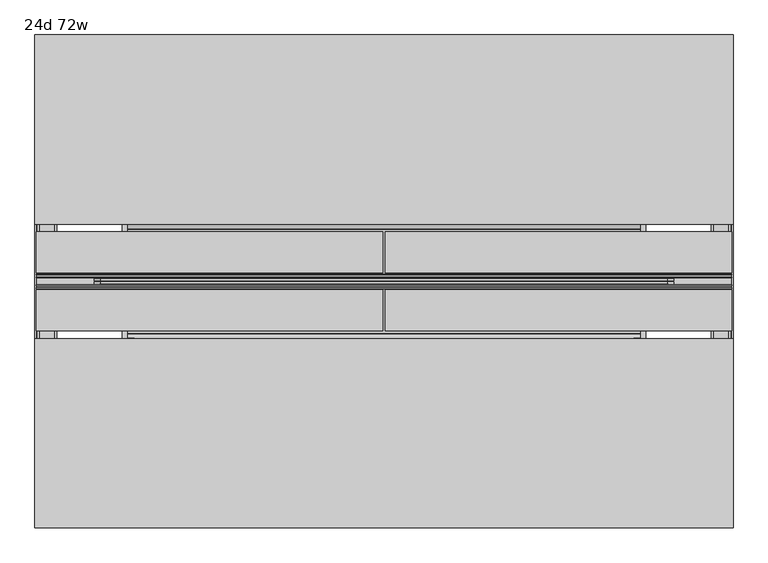
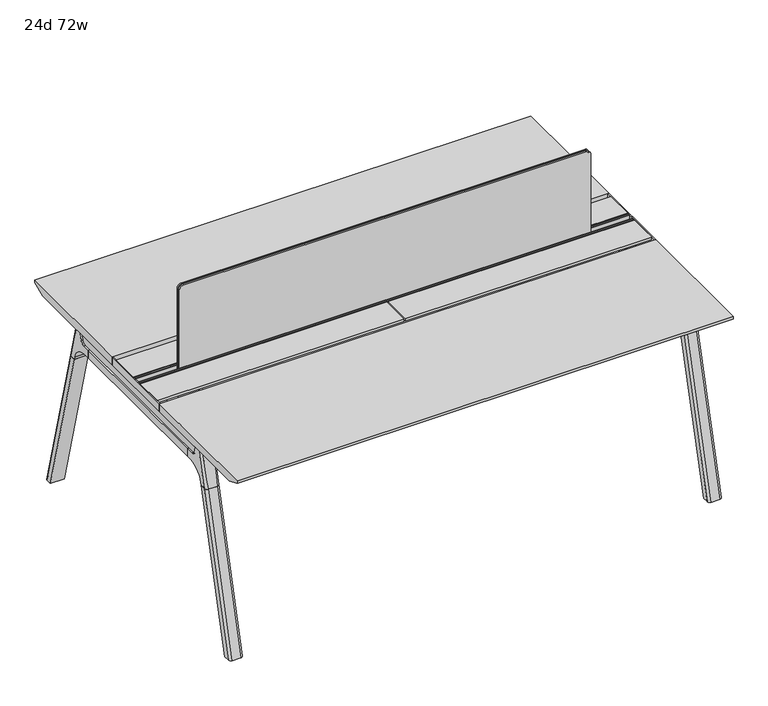
"""IFC4 building model written with IfcOpenShell, lengths in millimetres: furniture geometry, 24d 72w."""

from ifc_helpers import new_model, si_unit, point, frame, frame_2d, origin, place, context, project, spatial, polyline, circle_curve, ellipse_curve, trimmed, segment, composite_curve, outline, extrude, source, transform, mapped, element, save
from ifc_brep_helpers import plane_surface, cylinder_surface, revolved_surface, advanced_brep


def furniture_24d_72w_64f75645(model_context):
    return source(origin(), model_context, "Body", "SolidModel", [
        extrude(outline(composite_curve([segment(polyline([(1054.89375, 955.675), (1054.89375, -523.875)]), True, "CONTINUOUS"), segment(trimmed(circle_curve(frame_2d((1039.01875, -523.875)), 15.875), [point((1054.89375, -523.875))], [point((1039.01875, -539.75))], False, "CARTESIAN"), True, "CONTINUOUS"), segment(polyline([(1039.01875, -539.75), (720.725, -539.75), (720.725, 971.55), (1039.01875, 971.55)]), True, "CONTINUOUS"), segment(trimmed(circle_curve(frame_2d((1039.01875, 955.675)), 15.875), [point((1039.01875, 971.55))], [point((1054.89375, 955.675))], False, "CARTESIAN"), True, "CONTINUOUS")], self_intersect=False)), frame((0.0, -201.3409766, 0.0), z_axis=(0.0, 1.0, 0.0), x_axis=(0.0, 0.0, 1.0)), (0.0, 0.0, 1.0), 3.175),
        extrude(outline(composite_curve([segment(polyline([(1058.06875, 958.85), (1058.06875, -527.05)]), True, "CONTINUOUS"), segment(trimmed(circle_curve(frame_2d((1042.19375, -527.05)), 15.875), [point((1058.06875, -527.05))], [point((1042.19375, -542.925))], False, "CARTESIAN"), True, "CONTINUOUS"), segment(polyline([(1042.19375, -542.925), (717.55, -542.925), (717.55, 974.725), (1042.19375, 974.725)]), True, "CONTINUOUS"), segment(trimmed(circle_curve(frame_2d((1042.19375, 958.85)), 15.875), [point((1042.19375, 974.725))], [point((1058.06875, 958.85))], False, "CARTESIAN"), True, "CONTINUOUS")], self_intersect=False)), frame((0.0, -198.1659766, 0.0), z_axis=(0.0, 1.0, 0.0), x_axis=(0.0, 0.0, 1.0)), (0.0, 0.0, 1.0), 5.55625),
        extrude(outline(composite_curve([segment(polyline([(1058.06875, 958.85), (1058.06875, -527.05)]), True, "CONTINUOUS"), segment(trimmed(circle_curve(frame_2d((1042.19375, -527.05)), 15.875), [point((1058.06875, -527.05))], [point((1042.19375, -542.925))], False, "CARTESIAN"), True, "CONTINUOUS"), segment(polyline([(1042.19375, -542.925), (717.55, -542.925), (717.55, 974.725), (1042.19375, 974.725)]), True, "CONTINUOUS"), segment(trimmed(circle_curve(frame_2d((1042.19375, 958.85)), 15.875), [point((1042.19375, 974.725))], [point((1058.06875, 958.85))], False, "CARTESIAN"), True, "CONTINUOUS")], self_intersect=False)), frame((0.0, -206.8972266, 0.0), z_axis=(0.0, 1.0, 0.0), x_axis=(0.0, 0.0, 1.0)), (0.0, 0.0, 1.0), 5.55625),
        extrude(outline(polyline([(-348.9784469, 559.4636683), (-364.040663, 627.7843353), (-35.4662901, 627.7843353), (-50.5285062, 559.4636683), (-46.7502281, 557.2647146), (-46.7502281, 549.3667827), (-62.6252238, 521.8704736), (-336.8817293, 521.8704736), (-352.756725, 549.3667827), (-352.756725, 557.2647146), (-348.9784469, 559.4636683)])), frame((889.0, 0.0, 0.0), z_axis=(1.0, 0.0, 0.0), x_axis=(0.0, 1.0, 0.0)), (0.0, 0.0, 1.0), 12.7),
        extrude(outline(polyline([(-348.9784469, 559.4636683), (-364.040663, 627.7843353), (-35.4662901, 627.7843353), (-50.5285062, 559.4636683), (-46.7502281, 557.2647146), (-46.7502281, 549.3667827), (-62.6252238, 521.8704736), (-336.8817293, 521.8704736), (-352.756725, 549.3667827), (-352.756725, 557.2647146), (-348.9784469, 559.4636683)])), frame((-469.9, 0.0, 0.0), z_axis=(1.0, 0.0, 0.0), x_axis=(0.0, 1.0, 0.0)), (0.0, 0.0, 1.0), 12.7),
        extrude(outline(polyline([(-18.0090763, 698.5), (3.7767266, 698.5), (3.7767266, 697.2935087), (-17.4495292, 697.2935087), (-19.0070753, 695.7359626), (-49.1186716, 559.1528512), (-50.5285062, 559.4636683), (-20.404074, 696.1050023), (-18.0090763, 698.5)])), frame((-469.9, 0.0, 0.0), z_axis=(1.0, 0.0, 0.0), x_axis=(0.0, 1.0, 0.0)), (0.0, 0.0, 1.0), 31.8008024),
        extrude(outline(polyline([(-381.4978768, 698.5), (-379.1028791, 696.1050023), (-348.9784469, 559.4636683), (-350.3882815, 559.1528512), (-380.4998778, 695.7359626), (-382.0574239, 697.2935087), (-403.2836797, 697.2935087), (-403.2836797, 698.5), (-381.4978768, 698.5)])), frame((-469.9, 0.0, 0.0), z_axis=(1.0, 0.0, 0.0), x_axis=(0.0, 1.0, 0.0)), (0.0, 0.0, 1.0), 31.8008024),
        extrude(outline(polyline([(-18.0090763, 698.5), (3.7767266, 698.5), (3.7767266, 697.2935087), (-17.4495292, 697.2935087), (-19.0070753, 695.7359626), (-49.1186716, 559.1528512), (-50.5285062, 559.4636683), (-20.404074, 696.1050023), (-18.0090763, 698.5)])), frame((869.8991976, 0.0, 0.0), z_axis=(1.0, 0.0, 0.0), x_axis=(0.0, 1.0, 0.0)), (0.0, 0.0, 1.0), 31.8008024),
        extrude(outline(polyline([(-381.4978768, 698.5), (-379.1028791, 696.1050023), (-348.9784469, 559.4636683), (-350.3882815, 559.1528512), (-380.4998778, 695.7359626), (-382.0574239, 697.2935087), (-403.2836797, 697.2935087), (-403.2836797, 698.5), (-381.4978768, 698.5)])), frame((869.8991976, 0.0, 0.0), z_axis=(1.0, 0.0, 0.0), x_axis=(0.0, 1.0, 0.0)), (0.0, 0.0, 1.0), 31.8008024),
        extrude(outline(polyline([(-353.550475, 557.5934966), (-351.518477, 559.6254947), (-350.957211, 559.0642287), (-352.756725, 557.2647146), (-352.756725, 549.3667827), (-352.5317745, 548.5272622), (-337.4390802, 522.3859395), (-336.0037101, 521.5572272), (-63.503243, 521.5572272), (-62.0678729, 522.3859395), (-46.9751786, 548.5272622), (-46.7502281, 549.3667827), (-46.7502281, 557.2647146), (-48.5497421, 559.0642287), (-47.9884761, 559.6254947), (-45.9564781, 557.5934966), (-45.9564781, 549.2622828), (-46.2355217, 548.2208856), (-61.4868074, 521.8048744), (-63.2905581, 520.7634772), (-336.216395, 520.7634772), (-338.0201457, 521.8048744), (-353.2714314, 548.2208856), (-353.550475, 549.2622828), (-353.550475, 557.5934966)])), frame((-469.8492037, 0.0, 0.0), z_axis=(1.0, 0.0, 0.0), x_axis=(0.0, 1.0, 0.0)), (0.0, 0.0, 1.0), 1371.5492037),
        extrude(outline(polyline([(-218.8034766, 715.9625), (-218.8034766, 741.3625), (-217.2159766, 741.3625), (-217.2159766, 720.725), (-210.8659766, 720.725), (-210.8659766, 741.3625), (-209.2784766, 741.3625), (-209.2784766, 717.55), (-190.2284766, 717.55), (-190.2284766, 741.3625), (-188.6409766, 741.3625), (-188.6409766, 720.725), (-182.2909766, 720.725), (-182.2909766, 741.3625), (-180.7034766, 741.3625), (-180.7034766, 715.9625), (-218.8034766, 715.9625)])), frame((-695.325, 0.0, 0.0), z_axis=(1.0, 0.0, 0.0), x_axis=(0.0, 1.0, 0.0)), (0.0, 0.0, 1.0), 1822.45),
        extrude(outline(composite_curve([segment(polyline([(175.6902734, 711.2), (166.6321726, 677.3947076)]), True, "CONTINUOUS"), segment(trimmed(circle_curve(frame_2d((151.2981001, 681.5034599)), 15.875), [point((166.6321726, 677.3947076))], [point((151.2981001, 665.6284599))], False, "CARTESIAN"), True, "CONTINUOUS"), segment(polyline([(151.2981001, 665.6284599), (-550.8050533, 665.6284599)]), True, "CONTINUOUS"), segment(trimmed(circle_curve(frame_2d((-550.8050533, 681.5034599)), 15.875), [point((-550.8050533, 665.6284599))], [point((-566.1391258, 677.3947076))], False, "CARTESIAN"), True, "CONTINUOUS"), segment(polyline([(-566.1391258, 677.3947076), (-575.1972266, 711.2), (175.6902734, 711.2)]), True, "CONTINUOUS")], self_intersect=False)), frame((1079.5, 0.0, 0.0), z_axis=(1.0, 0.0, 0.0), x_axis=(0.0, 1.0, 0.0)), (0.0, 0.0, 1.0), 38.1),
        extrude(outline(polyline([(1123.95, 115.3652734), (1123.95, -514.8722266), (1073.15, -514.8722266), (1073.15, 115.3652734), (1123.95, 115.3652734)])), frame((0.0, 0.0, 635.6476591), z_axis=(0.0, 0.0, 1.0), x_axis=(1.0, 0.0, 0.0)), (0.0, 0.0, 1.0), 29.9808008),
        extrude(outline(composite_curve([segment(polyline([(175.6902734, 711.2), (166.6321726, 677.3947076)]), True, "CONTINUOUS"), segment(trimmed(circle_curve(frame_2d((151.2981001, 681.5034599)), 15.875), [point((166.6321726, 677.3947076))], [point((151.2981001, 665.6284599))], False, "CARTESIAN"), True, "CONTINUOUS"), segment(polyline([(151.2981001, 665.6284599), (-550.8050533, 665.6284599)]), True, "CONTINUOUS"), segment(trimmed(circle_curve(frame_2d((-550.8050533, 681.5034599)), 15.875), [point((-550.8050533, 665.6284599))], [point((-566.1391258, 677.3947076))], False, "CARTESIAN"), True, "CONTINUOUS"), segment(polyline([(-566.1391258, 677.3947076), (-575.1972266, 711.2), (175.6902734, 711.2)]), True, "CONTINUOUS")], self_intersect=False)), frame((-685.8, 0.0, 0.0), z_axis=(1.0, 0.0, 0.0), x_axis=(0.0, 1.0, 0.0)), (0.0, 0.0, 1.0), 38.1),
        extrude(outline(polyline([(-641.35, 115.3652734), (-641.35, -514.8722266), (-692.15, -514.8722266), (-692.15, 115.3652734), (-641.35, 115.3652734)])), frame((0.0, 0.0, 635.6476591), z_axis=(0.0, 0.0, 1.0), x_axis=(1.0, 0.0, 0.0)), (0.0, 0.0, 1.0), 29.9808008),
        advanced_brep(
        [(1073.15, -568.8935553, 711.2), (1073.15, -559.8354545, 677.3947076), (1073.15, -544.501382, 665.6284599), (1073.15, -514.8722266, 665.6284599), (1073.15, -514.8722266, 635.6476591), (1073.15, -537.7434588, 635.6476591), (1073.15, -602.1465633, 586.2294189), (1073.15, -604.7047754, 576.6820411), (1073.15, -625.8087453, 576.6820411), (1073.15, -590.3601017, 711.2), (1123.95, -604.7047754, 576.6820411), (1123.95, -602.1465633, 586.2294189), (1123.95, -537.7434588, 635.6476591), (1123.95, -514.8722266, 635.6476591), (1123.95, -514.8722266, 665.6284599), (1123.95, -544.501382, 665.6284599), (1123.95, -559.8354545, 677.3947076), (1123.95, -568.8935553, 711.2), (1123.95, -590.3601017, 711.2), (1123.95, -625.8087453, 576.6820411), (1079.4138162, -599.6149462, 711.2), (1117.6861838, -599.6149462, 711.2), (1114.425, -635.6589247, 576.6820411), (1082.675, -635.6589247, 576.6820411)],
        [
            (0, 1),
            (1, 2, circle_curve(frame((1073.15, -544.501382, 681.5034599), z_axis=(1.0, 0.0, 0.0), x_axis=(0.0, -1.0, 0.0)), 15.875)),
            (2, 3),
            (3, 4),
            (4, 5),
            (5, 6, circle_curve(frame((1073.15, -537.7434588, 568.9726591), z_axis=(1.0, 0.0, 0.0), x_axis=(0.0, -1.0, 0.0)), 66.675)),
            (6, 7),
            (7, 8),
            (8, 9),
            (9, 0),
            (10, 11),
            (11, 12, circle_curve(frame((1123.95, -537.7434588, 568.9726591), z_axis=(-1.0, 0.0, 0.0), x_axis=(0.0, -1.0, 0.0)), 66.675)),
            (12, 13),
            (13, 14),
            (14, 15),
            (15, 16, circle_curve(frame((1123.95, -544.501382, 681.5034599), z_axis=(-1.0, 0.0, 0.0), x_axis=(0.0, -1.0, 0.0)), 15.875)),
            (16, 17),
            (17, 18),
            (18, 19),
            (19, 10),
            (17, 0),
            (9, 20, ellipse_curve(frame((1082.675, -590.3601017, 711.2), z_axis=(0.0, 0.0, 1.0), x_axis=(0.0, -1.0, 0.0)), 9.8501793, 9.525)),
            (20, 21),
            (21, 18, ellipse_curve(frame((1114.425, -590.3601017, 711.2), z_axis=(0.0, 0.0, 1.0), x_axis=(0.0, -1.0, 0.0)), 9.8501793, 9.525)),
            (16, 1),
            (15, 2),
            (14, 3),
            (13, 4),
            (12, 5),
            (11, 6),
            (10, 7),
            (19, 22, ellipse_curve(frame((1114.425, -625.8087453, 576.6820411), z_axis=(0.0, 0.0, -1.0), x_axis=(0.0, -1.0, 0.0)), 9.8501793, 9.525)),
            (22, 23),
            (23, 8, ellipse_curve(frame((1082.675, -625.8087453, 576.6820411), z_axis=(0.0, 0.0, -1.0), x_axis=(0.0, -1.0, 0.0)), 9.8501793, 9.525)),
            (20, 23, ellipse_curve(frame((1082.675, -39.2892106, 2802.3641142), z_axis=(0.0, -0.9659258262890684, 0.2588190451025206), x_axis=(0.0, -0.2588190451025206, -0.9659258262890684)), 2304.1956354, 9.525)),
            (22, 21, ellipse_curve(frame((1114.425, -39.2892106, 2802.3641142), z_axis=(0.0, -0.9659258262890684, 0.2588190451025206), x_axis=(0.0, -0.2588190451025206, -0.9659258262890684)), 2304.1956354, 9.525)),
        ],
        [
            plane_surface(frame((1073.15, -599.6149462, 711.2), z_axis=(-1.0, 0.0, 0.0), x_axis=(0.0, 1.0, 0.0))),
            plane_surface(frame((1123.95, -599.6149462, 711.2), z_axis=(1.0, 0.0, 0.0), x_axis=(0.0, -1.0, 0.0))),
            plane_surface(frame((1073.15, -599.6149462, 711.2), z_axis=(0.0, 0.0, 1.0), x_axis=(1.0, 0.0, 0.0))),
            plane_surface(frame((1073.15, -568.8935553, 711.2), z_axis=(0.0, 0.9659258262890683, 0.2588190451025207), x_axis=(1.0, 0.0, 0.0))),
            revolved_surface(polyline([(1123.95, -560.376382, 681.5034599), (1073.15, -560.376382, 681.5034599)]), (1123.95, -544.501382, 681.5034599), (1.0, 0.0, 0.0)),
            plane_surface(frame((1073.15, -544.501382, 665.6284599), z_axis=(0.0, 0.0, 1.0), x_axis=(1.0, 0.0, 0.0))),
            plane_surface(frame((1073.15, -514.8722266, 665.6284599), z_axis=(0.0, 1.0, 0.0), x_axis=(1.0, 0.0, 0.0))),
            plane_surface(frame((1073.15, -514.8722266, 635.6476591), z_axis=(0.0, 0.0, -1.0), x_axis=(1.0, 0.0, 0.0))),
            revolved_surface(polyline([(1123.95, -604.4184587999999, 568.9726591), (1073.15, -604.4184587999999, 568.9726591)]), (1123.95, -537.7434588, 568.9726591), (1.0, 0.0, 0.0)),
            plane_surface(frame((1073.15, -602.1465633, 586.2294189), z_axis=(0.0, 0.9659258262890693, -0.25881904510251696), x_axis=(1.0, 0.0, 0.0))),
            plane_surface(frame((1073.15, -604.7047754, 576.6820411), z_axis=(0.0, 0.0, -1.0), x_axis=(1.0, 0.0, 0.0))),
            plane_surface(frame((1073.15, -635.6589247, 576.6820411), z_axis=(0.0, -0.9659258262890684, 0.2588190451025206), x_axis=(1.0, 0.0, 0.0))),
            cylinder_surface(frame((1082.675, -778.4176402, -2.4271979), z_axis=(0.0, -0.25482392474081483, -0.966987470125486), x_axis=(1.0, 0.0, 0.0)), 9.525),
            cylinder_surface(frame((1114.425, -778.4176402, -2.4271979), z_axis=(0.0, -0.25482392474081483, -0.966987470125486), x_axis=(1.0, 0.0, 0.0)), 9.525),
        ],
        [
            (0, [[1, 2, 3, 4, 5, 6, 7, 8, 9, 10]]),
            (1, [[11, 12, 13, 14, 15, 16, 17, 18, 19, 20]]),
            (2, [[21, -10, 22, 23, 24, -18]]),
            (3, [[-1, -21, -17, 25]]),
            (4, [[-2, -25, -16, 26]]),
            (5, [[-3, -26, -15, 27]]),
            (6, [[-4, -27, -14, 28]]),
            (7, [[-5, -28, -13, 29]]),
            (8, [[-6, -29, -12, 30]]),
            (9, [[-7, -30, -11, 31]]),
            (10, [[-31, -20, 32, 33, 34, -8]]),
            (11, [[-23, 35, -33, 36]]),
            (12, [[-9, -34, -35, -22]]),
            (13, [[-19, -24, -36, -32]]),
        ],
    ),
        advanced_brep(
        [(1073.15, -604.7047754, 576.6820411), (1073.15, -756.6740466, 0.0), (1073.15, -777.7780165, 0.0), (1073.15, -625.8087453, 576.6820411), (1123.95, -756.6740466, 0.0), (1123.95, -604.7047754, 576.6820411), (1123.95, -625.8087453, 576.6820411), (1123.95, -777.7780165, 0.0), (1082.675, -635.6589247, 576.6820411), (1114.425, -635.6589247, 576.6820411), (1114.425, -787.6281958, 0.0), (1082.675, -787.6281958, 0.0)],
        [
            (0, 1),
            (1, 2),
            (2, 3),
            (3, 0),
            (4, 5),
            (5, 6),
            (6, 7),
            (7, 4),
            (5, 0),
            (3, 8, ellipse_curve(frame((1082.675, -625.8087453, 576.6820411), z_axis=(0.0, 0.0, 1.0), x_axis=(0.0, -1.0, 0.0)), 9.8501793, 9.525)),
            (8, 9),
            (9, 6, ellipse_curve(frame((1114.425, -625.8087453, 576.6820411), z_axis=(0.0, 0.0, 1.0), x_axis=(0.0, -1.0, 0.0)), 9.8501793, 9.525)),
            (4, 1),
            (7, 10, ellipse_curve(frame((1114.425, -777.7780165, 0.0), z_axis=(0.0, 0.0, -1.0), x_axis=(0.0, -1.0, 0.0)), 9.8501793, 9.525)),
            (10, 11),
            (11, 2, ellipse_curve(frame((1082.675, -777.7780165, 0.0), z_axis=(0.0, 0.0, -1.0), x_axis=(0.0, -1.0, 0.0)), 9.8501793, 9.525)),
            (8, 11),
            (10, 9),
        ],
        [
            plane_surface(frame((1073.15, -635.6589247, 576.6820411), z_axis=(-1.0, 0.0, 0.0), x_axis=(0.0, 1.0, 0.0))),
            plane_surface(frame((1123.95, -635.6589247, 576.6820411), z_axis=(1.0, 0.0, 0.0), x_axis=(0.0, -1.0, 0.0))),
            plane_surface(frame((1073.15, -635.6589247, 576.6820411), z_axis=(0.0, 0.0, 1.0), x_axis=(1.0, 0.0, 0.0))),
            plane_surface(frame((1073.15, -604.7047754, 576.6820411), z_axis=(0.0, 0.9669874701254844, -0.2548239247408208), x_axis=(1.0, 0.0, 0.0))),
            plane_surface(frame((1073.15, -756.6740466, 0.0), z_axis=(0.0, 0.0, -1.0), x_axis=(1.0, 0.0, 0.0))),
            plane_surface(frame((1073.15, -787.6281958, 0.0), z_axis=(0.0, -0.9669874701254855, 0.2548239247408166), x_axis=(1.0, 0.0, 0.0))),
            cylinder_surface(frame((1082.675, -778.4176402, -2.4271979), z_axis=(0.0, -0.25482392474081483, -0.966987470125486), x_axis=(1.0, 0.0, 0.0)), 9.525),
            cylinder_surface(frame((1114.425, -778.4176402, -2.4271979), z_axis=(0.0, -0.25482392474081483, -0.966987470125486), x_axis=(1.0, 0.0, 0.0)), 9.525),
        ],
        [
            (0, [[1, 2, 3, 4]]),
            (1, [[5, 6, 7, 8]]),
            (2, [[9, -4, 10, 11, 12, -6]]),
            (3, [[-1, -9, -5, 13]]),
            (4, [[-13, -8, 14, 15, 16, -2]]),
            (5, [[-11, 17, -15, 18]]),
            (6, [[-3, -16, -17, -10]]),
            (7, [[-7, -12, -18, -14]]),
        ],
    ),
        advanced_brep(
        [(1123.95, 169.3866022, 711.2), (1123.95, 160.3285014, 677.3947076), (1123.95, 144.9944289, 665.6284599), (1123.95, 115.3652734, 665.6284599), (1123.95, 115.3652734, 635.6476591), (1123.95, 138.2365057, 635.6476591), (1123.95, 202.6396101, 586.2294189), (1123.95, 205.1978223, 576.6820411), (1123.95, 226.3017922, 576.6820411), (1123.95, 190.8531486, 711.2), (1073.15, 205.1978223, 576.6820411), (1073.15, 202.6396101, 586.2294189), (1073.15, 138.2365057, 635.6476591), (1073.15, 115.3652734, 635.6476591), (1073.15, 115.3652734, 665.6284599), (1073.15, 144.9944289, 665.6284599), (1073.15, 160.3285014, 677.3947076), (1073.15, 169.3866022, 711.2), (1073.15, 190.8531486, 711.2), (1073.15, 226.3017922, 576.6820411), (1117.6861838, 200.1079931, 711.2), (1079.4138162, 200.1079931, 711.2), (1082.675, 236.1519716, 576.6820411), (1114.425, 236.1519716, 576.6820411)],
        [
            (0, 1),
            (1, 2, circle_curve(frame((1123.95, 144.9944289, 681.5034599), z_axis=(-1.0, 0.0, 0.0), x_axis=(0.0, 1.0, 0.0)), 15.875)),
            (2, 3),
            (3, 4),
            (4, 5),
            (5, 6, circle_curve(frame((1123.95, 138.2365057, 568.9726591), z_axis=(-1.0, 0.0, 0.0), x_axis=(0.0, 1.0, 0.0)), 66.675)),
            (6, 7),
            (7, 8),
            (8, 9),
            (9, 0),
            (10, 11),
            (11, 12, circle_curve(frame((1073.15, 138.2365057, 568.9726591), z_axis=(1.0, 0.0, 0.0), x_axis=(0.0, 1.0, 0.0)), 66.675)),
            (12, 13),
            (13, 14),
            (14, 15),
            (15, 16, circle_curve(frame((1073.15, 144.9944289, 681.5034599), z_axis=(1.0, 0.0, 0.0), x_axis=(0.0, 1.0, 0.0)), 15.875)),
            (16, 17),
            (17, 18),
            (18, 19),
            (19, 10),
            (17, 0),
            (9, 20, ellipse_curve(frame((1114.425, 190.8531486, 711.2), z_axis=(0.0, 0.0, 1.0), x_axis=(0.0, 1.0, 0.0)), 9.8501793, 9.525)),
            (20, 21),
            (21, 18, ellipse_curve(frame((1082.675, 190.8531486, 711.2), z_axis=(0.0, 0.0, 1.0), x_axis=(0.0, 1.0, 0.0)), 9.8501793, 9.525)),
            (16, 1),
            (15, 2),
            (14, 3),
            (13, 4),
            (12, 5),
            (11, 6),
            (10, 7),
            (19, 22, ellipse_curve(frame((1082.675, 226.3017922, 576.6820411), z_axis=(0.0, 0.0, -1.0), x_axis=(0.0, 1.0, 0.0)), 9.8501793, 9.525)),
            (22, 23),
            (23, 8, ellipse_curve(frame((1114.425, 226.3017922, 576.6820411), z_axis=(0.0, 0.0, -1.0), x_axis=(0.0, 1.0, 0.0)), 9.8501793, 9.525)),
            (20, 23, ellipse_curve(frame((1114.425, -360.2177425, 2802.3641142), z_axis=(0.0, 0.9659258262890684, 0.2588190451025206), x_axis=(0.0, 0.2588190451025206, -0.9659258262890684)), 2304.1956354, 9.525)),
            (22, 21, ellipse_curve(frame((1082.675, -360.2177425, 2802.3641142), z_axis=(0.0, 0.9659258262890684, 0.2588190451025206), x_axis=(0.0, 0.2588190451025206, -0.9659258262890684)), 2304.1956354, 9.525)),
        ],
        [
            plane_surface(frame((1123.95, 200.1079931, 711.2), z_axis=(1.0, 0.0, 0.0), x_axis=(0.0, -1.0, 0.0))),
            plane_surface(frame((1073.15, 200.1079931, 711.2), z_axis=(-1.0, 0.0, 0.0), x_axis=(0.0, 1.0, 0.0))),
            plane_surface(frame((1123.95, 200.1079931, 711.2), z_axis=(0.0, 0.0, 1.0), x_axis=(-1.0, 0.0, 0.0))),
            plane_surface(frame((1123.95, 169.3866022, 711.2), z_axis=(0.0, -0.9659258262890683, 0.2588190451025207), x_axis=(-1.0, 0.0, 0.0))),
            revolved_surface(polyline([(1073.15, 160.8694289, 681.5034599), (1123.95, 160.8694289, 681.5034599)]), (1073.15, 144.9944289, 681.5034599), (-1.0, 0.0, 0.0)),
            plane_surface(frame((1123.95, 144.9944289, 665.6284599), z_axis=(0.0, 0.0, 1.0), x_axis=(-1.0, 0.0, 0.0))),
            plane_surface(frame((1123.95, 115.3652734, 665.6284599), z_axis=(0.0, -1.0, 0.0), x_axis=(-1.0, 0.0, 0.0))),
            plane_surface(frame((1123.95, 115.3652734, 635.6476591), z_axis=(0.0, 0.0, -1.0), x_axis=(-1.0, 0.0, 0.0))),
            revolved_surface(polyline([(1073.15, 204.91150570000002, 568.9726591), (1123.95, 204.91150570000002, 568.9726591)]), (1073.15, 138.2365057, 568.9726591), (-1.0, 0.0, 0.0)),
            plane_surface(frame((1123.95, 202.6396101, 586.2294189), z_axis=(0.0, -0.9659258262890693, -0.25881904510251696), x_axis=(-1.0, 0.0, 0.0))),
            plane_surface(frame((1123.95, 205.1978223, 576.6820411), z_axis=(0.0, 0.0, -1.0), x_axis=(-1.0, 0.0, 0.0))),
            plane_surface(frame((1123.95, 236.1519716, 576.6820411), z_axis=(0.0, 0.9659258262890684, 0.2588190451025206), x_axis=(-1.0, 0.0, 0.0))),
            cylinder_surface(frame((1114.425, 378.9106871, -2.4271979), z_axis=(0.0, 0.25482392474081483, -0.966987470125486), x_axis=(-1.0, 0.0, 0.0)), 9.525),
            cylinder_surface(frame((1082.675, 378.9106871, -2.4271979), z_axis=(0.0, 0.25482392474081483, -0.966987470125486), x_axis=(-1.0, 0.0, 0.0)), 9.525),
        ],
        [
            (0, [[1, 2, 3, 4, 5, 6, 7, 8, 9, 10]]),
            (1, [[11, 12, 13, 14, 15, 16, 17, 18, 19, 20]]),
            (2, [[21, -10, 22, 23, 24, -18]]),
            (3, [[-1, -21, -17, 25]]),
            (4, [[-2, -25, -16, 26]]),
            (5, [[-3, -26, -15, 27]]),
            (6, [[-4, -27, -14, 28]]),
            (7, [[-5, -28, -13, 29]]),
            (8, [[-6, -29, -12, 30]]),
            (9, [[-7, -30, -11, 31]]),
            (10, [[-31, -20, 32, 33, 34, -8]]),
            (11, [[-23, 35, -33, 36]]),
            (12, [[-9, -34, -35, -22]]),
            (13, [[-19, -24, -36, -32]]),
        ],
    ),
        advanced_brep(
        [(1123.95, 205.1978223, 576.6820411), (1123.95, 357.1670935, 0.0), (1123.95, 378.2710634, 0.0), (1123.95, 226.3017922, 576.6820411), (1073.15, 357.1670935, 0.0), (1073.15, 205.1978223, 576.6820411), (1073.15, 226.3017922, 576.6820411), (1073.15, 378.2710634, 0.0), (1114.425, 236.1519716, 576.6820411), (1082.675, 236.1519716, 576.6820411), (1082.675, 388.1212427, 0.0), (1114.425, 388.1212427, 0.0)],
        [
            (0, 1),
            (1, 2),
            (2, 3),
            (3, 0),
            (4, 5),
            (5, 6),
            (6, 7),
            (7, 4),
            (5, 0),
            (3, 8, ellipse_curve(frame((1114.425, 226.3017922, 576.6820411), z_axis=(0.0, 0.0, 1.0), x_axis=(0.0, 1.0, 0.0)), 9.8501793, 9.525)),
            (8, 9),
            (9, 6, ellipse_curve(frame((1082.675, 226.3017922, 576.6820411), z_axis=(0.0, 0.0, 1.0), x_axis=(0.0, 1.0, 0.0)), 9.8501793, 9.525)),
            (4, 1),
            (7, 10, ellipse_curve(frame((1082.675, 378.2710634, 0.0), z_axis=(0.0, 0.0, -1.0), x_axis=(0.0, 1.0, 0.0)), 9.8501793, 9.525)),
            (10, 11),
            (11, 2, ellipse_curve(frame((1114.425, 378.2710634, 0.0), z_axis=(0.0, 0.0, -1.0), x_axis=(0.0, 1.0, 0.0)), 9.8501793, 9.525)),
            (8, 11),
            (10, 9),
        ],
        [
            plane_surface(frame((1123.95, 236.1519716, 576.6820411), z_axis=(1.0, 0.0, 0.0), x_axis=(0.0, -1.0, 0.0))),
            plane_surface(frame((1073.15, 236.1519716, 576.6820411), z_axis=(-1.0, 0.0, 0.0), x_axis=(0.0, 1.0, 0.0))),
            plane_surface(frame((1123.95, 236.1519716, 576.6820411), z_axis=(0.0, 0.0, 1.0), x_axis=(-1.0, 0.0, 0.0))),
            plane_surface(frame((1123.95, 205.1978223, 576.6820411), z_axis=(0.0, -0.9669874701254844, -0.2548239247408208), x_axis=(-1.0, 0.0, 0.0))),
            plane_surface(frame((1123.95, 357.1670935, 0.0), z_axis=(0.0, 0.0, -1.0), x_axis=(-1.0, 0.0, 0.0))),
            plane_surface(frame((1123.95, 388.1212427, 0.0), z_axis=(0.0, 0.9669874701254855, 0.2548239247408166), x_axis=(-1.0, 0.0, 0.0))),
            cylinder_surface(frame((1114.425, 378.9106871, -2.4271979), z_axis=(0.0, 0.25482392474081483, -0.966987470125486), x_axis=(-1.0, 0.0, 0.0)), 9.525),
            cylinder_surface(frame((1082.675, 378.9106871, -2.4271979), z_axis=(0.0, 0.25482392474081483, -0.966987470125486), x_axis=(-1.0, 0.0, 0.0)), 9.525),
        ],
        [
            (0, [[1, 2, 3, 4]]),
            (1, [[5, 6, 7, 8]]),
            (2, [[9, -4, 10, 11, 12, -6]]),
            (3, [[-1, -9, -5, 13]]),
            (4, [[-13, -8, 14, 15, 16, -2]]),
            (5, [[-11, 17, -15, 18]]),
            (6, [[-3, -16, -17, -10]]),
            (7, [[-7, -12, -18, -14]]),
        ],
    ),
        advanced_brep(
        [(-641.35, 169.3866022, 711.2), (-641.35, 160.3285014, 677.3947076), (-641.35, 144.9944289, 665.6284599), (-641.35, 115.3652734, 665.6284599), (-641.35, 115.3652734, 635.6476591), (-641.35, 138.2365057, 635.6476591), (-641.35, 202.6396101, 586.2294189), (-641.35, 205.1978223, 576.6820411), (-641.35, 226.3017922, 576.6820411), (-641.35, 190.8531486, 711.2), (-692.15, 205.1978223, 576.6820411), (-692.15, 202.6396101, 586.2294189), (-692.15, 138.2365057, 635.6476591), (-692.15, 115.3652734, 635.6476591), (-692.15, 115.3652734, 665.6284599), (-692.15, 144.9944289, 665.6284599), (-692.15, 160.3285014, 677.3947076), (-692.15, 169.3866022, 711.2), (-692.15, 190.8531486, 711.2), (-692.15, 226.3017922, 576.6820411), (-647.6138162, 200.1079931, 711.2), (-685.8861838, 200.1079931, 711.2), (-682.625, 236.1519716, 576.6820411), (-650.875, 236.1519716, 576.6820411)],
        [
            (0, 1),
            (1, 2, circle_curve(frame((-641.35, 144.9944289, 681.5034599), z_axis=(-1.0, 0.0, 0.0), x_axis=(0.0, 1.0, 0.0)), 15.875)),
            (2, 3),
            (3, 4),
            (4, 5),
            (5, 6, circle_curve(frame((-641.35, 138.2365057, 568.9726591), z_axis=(-1.0, 0.0, 0.0), x_axis=(0.0, 1.0, 0.0)), 66.675)),
            (6, 7),
            (7, 8),
            (8, 9),
            (9, 0),
            (10, 11),
            (11, 12, circle_curve(frame((-692.15, 138.2365057, 568.9726591), z_axis=(1.0, 0.0, 0.0), x_axis=(0.0, 1.0, 0.0)), 66.675)),
            (12, 13),
            (13, 14),
            (14, 15),
            (15, 16, circle_curve(frame((-692.15, 144.9944289, 681.5034599), z_axis=(1.0, 0.0, 0.0), x_axis=(0.0, 1.0, 0.0)), 15.875)),
            (16, 17),
            (17, 18),
            (18, 19),
            (19, 10),
            (17, 0),
            (9, 20, ellipse_curve(frame((-650.875, 190.8531486, 711.2), z_axis=(0.0, 0.0, 1.0), x_axis=(0.0, 1.0, 0.0)), 9.8501793, 9.525)),
            (20, 21),
            (21, 18, ellipse_curve(frame((-682.625, 190.8531486, 711.2), z_axis=(0.0, 0.0, 1.0), x_axis=(0.0, 1.0, 0.0)), 9.8501793, 9.525)),
            (16, 1),
            (15, 2),
            (14, 3),
            (13, 4),
            (12, 5),
            (11, 6),
            (10, 7),
            (19, 22, ellipse_curve(frame((-682.625, 226.3017922, 576.6820411), z_axis=(0.0, 0.0, -1.0), x_axis=(0.0, 1.0, 0.0)), 9.8501793, 9.525)),
            (22, 23),
            (23, 8, ellipse_curve(frame((-650.875, 226.3017922, 576.6820411), z_axis=(0.0, 0.0, -1.0), x_axis=(0.0, 1.0, 0.0)), 9.8501793, 9.525)),
            (20, 23, ellipse_curve(frame((-650.875, -360.2177425, 2802.3641142), z_axis=(0.0, 0.9659258262890684, 0.2588190451025206), x_axis=(0.0, 0.2588190451025206, -0.9659258262890684)), 2304.1956354, 9.525)),
            (22, 21, ellipse_curve(frame((-682.625, -360.2177425, 2802.3641142), z_axis=(0.0, 0.9659258262890684, 0.2588190451025206), x_axis=(0.0, 0.2588190451025206, -0.9659258262890684)), 2304.1956354, 9.525)),
        ],
        [
            plane_surface(frame((-641.35, 200.1079931, 711.2), z_axis=(1.0, 0.0, 0.0), x_axis=(0.0, -1.0, 0.0))),
            plane_surface(frame((-692.15, 200.1079931, 711.2), z_axis=(-1.0, 0.0, 0.0), x_axis=(0.0, 1.0, 0.0))),
            plane_surface(frame((-641.35, 200.1079931, 711.2), z_axis=(0.0, 0.0, 1.0), x_axis=(-1.0, 0.0, 0.0))),
            plane_surface(frame((-641.35, 169.3866022, 711.2), z_axis=(0.0, -0.9659258262890683, 0.2588190451025207), x_axis=(-1.0, 0.0, 0.0))),
            revolved_surface(polyline([(-692.15, 160.8694289, 681.5034599), (-641.35, 160.8694289, 681.5034599)]), (-692.15, 144.9944289, 681.5034599), (-1.0, 0.0, 0.0)),
            plane_surface(frame((-641.35, 144.9944289, 665.6284599), z_axis=(0.0, 0.0, 1.0), x_axis=(-1.0, 0.0, 0.0))),
            plane_surface(frame((-641.35, 115.3652734, 665.6284599), z_axis=(0.0, -1.0, 0.0), x_axis=(-1.0, 0.0, 0.0))),
            plane_surface(frame((-641.35, 115.3652734, 635.6476591), z_axis=(0.0, 0.0, -1.0), x_axis=(-1.0, 0.0, 0.0))),
            revolved_surface(polyline([(-692.15, 204.91150570000002, 568.9726591), (-641.35, 204.91150570000002, 568.9726591)]), (-692.15, 138.2365057, 568.9726591), (-1.0, 0.0, 0.0)),
            plane_surface(frame((-641.35, 202.6396101, 586.2294189), z_axis=(0.0, -0.9659258262890693, -0.25881904510251696), x_axis=(-1.0, 0.0, 0.0))),
            plane_surface(frame((-641.35, 205.1978223, 576.6820411), z_axis=(0.0, 0.0, -1.0), x_axis=(-1.0, 0.0, 0.0))),
            plane_surface(frame((-641.35, 236.1519716, 576.6820411), z_axis=(0.0, 0.9659258262890684, 0.2588190451025206), x_axis=(-1.0, 0.0, 0.0))),
            cylinder_surface(frame((-650.875, 378.9106871, -2.4271979), z_axis=(0.0, 0.25482392474081483, -0.966987470125486), x_axis=(-1.0, 0.0, 0.0)), 9.525),
            cylinder_surface(frame((-682.625, 378.9106871, -2.4271979), z_axis=(0.0, 0.25482392474081483, -0.966987470125486), x_axis=(-1.0, 0.0, 0.0)), 9.525),
        ],
        [
            (0, [[1, 2, 3, 4, 5, 6, 7, 8, 9, 10]]),
            (1, [[11, 12, 13, 14, 15, 16, 17, 18, 19, 20]]),
            (2, [[21, -10, 22, 23, 24, -18]]),
            (3, [[-1, -21, -17, 25]]),
            (4, [[-2, -25, -16, 26]]),
            (5, [[-3, -26, -15, 27]]),
            (6, [[-4, -27, -14, 28]]),
            (7, [[-5, -28, -13, 29]]),
            (8, [[-6, -29, -12, 30]]),
            (9, [[-7, -30, -11, 31]]),
            (10, [[-31, -20, 32, 33, 34, -8]]),
            (11, [[-23, 35, -33, 36]]),
            (12, [[-9, -34, -35, -22]]),
            (13, [[-19, -24, -36, -32]]),
        ],
    ),
        advanced_brep(
        [(-641.35, 205.1978223, 576.6820411), (-641.35, 357.1670935, 0.0), (-641.35, 378.2710634, 0.0), (-641.35, 226.3017922, 576.6820411), (-692.15, 357.1670935, 0.0), (-692.15, 205.1978223, 576.6820411), (-692.15, 226.3017922, 576.6820411), (-692.15, 378.2710634, 0.0), (-650.875, 236.1519716, 576.6820411), (-682.625, 236.1519716, 576.6820411), (-682.625, 388.1212427, 0.0), (-650.875, 388.1212427, 0.0)],
        [
            (0, 1),
            (1, 2),
            (2, 3),
            (3, 0),
            (4, 5),
            (5, 6),
            (6, 7),
            (7, 4),
            (5, 0),
            (3, 8, ellipse_curve(frame((-650.875, 226.3017922, 576.6820411), z_axis=(0.0, 0.0, 1.0), x_axis=(0.0, 1.0, 0.0)), 9.8501793, 9.525)),
            (8, 9),
            (9, 6, ellipse_curve(frame((-682.625, 226.3017922, 576.6820411), z_axis=(0.0, 0.0, 1.0), x_axis=(0.0, 1.0, 0.0)), 9.8501793, 9.525)),
            (4, 1),
            (7, 10, ellipse_curve(frame((-682.625, 378.2710634, 0.0), z_axis=(0.0, 0.0, -1.0), x_axis=(0.0, 1.0, 0.0)), 9.8501793, 9.525)),
            (10, 11),
            (11, 2, ellipse_curve(frame((-650.875, 378.2710634, 0.0), z_axis=(0.0, 0.0, -1.0), x_axis=(0.0, 1.0, 0.0)), 9.8501793, 9.525)),
            (8, 11),
            (10, 9),
        ],
        [
            plane_surface(frame((-641.35, 236.1519716, 576.6820411), z_axis=(1.0, 0.0, 0.0), x_axis=(0.0, -1.0, 0.0))),
            plane_surface(frame((-692.15, 236.1519716, 576.6820411), z_axis=(-1.0, 0.0, 0.0), x_axis=(0.0, 1.0, 0.0))),
            plane_surface(frame((-641.35, 236.1519716, 576.6820411), z_axis=(0.0, 0.0, 1.0), x_axis=(-1.0, 0.0, 0.0))),
            plane_surface(frame((-641.35, 205.1978223, 576.6820411), z_axis=(0.0, -0.9669874701254844, -0.2548239247408208), x_axis=(-1.0, 0.0, 0.0))),
            plane_surface(frame((-641.35, 357.1670935, 0.0), z_axis=(0.0, 0.0, -1.0), x_axis=(-1.0, 0.0, 0.0))),
            plane_surface(frame((-641.35, 388.1212427, 0.0), z_axis=(0.0, 0.9669874701254855, 0.2548239247408166), x_axis=(-1.0, 0.0, 0.0))),
            cylinder_surface(frame((-650.875, 378.9106871, -2.4271979), z_axis=(0.0, 0.25482392474081483, -0.966987470125486), x_axis=(-1.0, 0.0, 0.0)), 9.525),
            cylinder_surface(frame((-682.625, 378.9106871, -2.4271979), z_axis=(0.0, 0.25482392474081483, -0.966987470125486), x_axis=(-1.0, 0.0, 0.0)), 9.525),
        ],
        [
            (0, [[1, 2, 3, 4]]),
            (1, [[5, 6, 7, 8]]),
            (2, [[9, -4, 10, 11, 12, -6]]),
            (3, [[-1, -9, -5, 13]]),
            (4, [[-13, -8, 14, 15, 16, -2]]),
            (5, [[-11, 17, -15, 18]]),
            (6, [[-3, -16, -17, -10]]),
            (7, [[-7, -12, -18, -14]]),
        ],
    ),
        advanced_brep(
        [(-692.15, -568.8935553, 711.2), (-692.15, -559.8354545, 677.3947076), (-692.15, -544.501382, 665.6284599), (-692.15, -514.8722266, 665.6284599), (-692.15, -514.8722266, 635.6476591), (-692.15, -537.7434588, 635.6476591), (-692.15, -602.1465633, 586.2294189), (-692.15, -604.7047754, 576.6820411), (-692.15, -625.8087453, 576.6820411), (-692.15, -590.3601017, 711.2), (-641.35, -604.7047754, 576.6820411), (-641.35, -602.1465633, 586.2294189), (-641.35, -537.7434588, 635.6476591), (-641.35, -514.8722266, 635.6476591), (-641.35, -514.8722266, 665.6284599), (-641.35, -544.501382, 665.6284599), (-641.35, -559.8354545, 677.3947076), (-641.35, -568.8935553, 711.2), (-641.35, -590.3601017, 711.2), (-641.35, -625.8087453, 576.6820411), (-685.8861838, -599.6149462, 711.2), (-647.6138162, -599.6149462, 711.2), (-650.875, -635.6589247, 576.6820411), (-682.625, -635.6589247, 576.6820411)],
        [
            (0, 1),
            (1, 2, circle_curve(frame((-692.15, -544.501382, 681.5034599), z_axis=(1.0, 0.0, 0.0), x_axis=(0.0, -1.0, 0.0)), 15.875)),
            (2, 3),
            (3, 4),
            (4, 5),
            (5, 6, circle_curve(frame((-692.15, -537.7434588, 568.9726591), z_axis=(1.0, 0.0, 0.0), x_axis=(0.0, -1.0, 0.0)), 66.675)),
            (6, 7),
            (7, 8),
            (8, 9),
            (9, 0),
            (10, 11),
            (11, 12, circle_curve(frame((-641.35, -537.7434588, 568.9726591), z_axis=(-1.0, 0.0, 0.0), x_axis=(0.0, -1.0, 0.0)), 66.675)),
            (12, 13),
            (13, 14),
            (14, 15),
            (15, 16, circle_curve(frame((-641.35, -544.501382, 681.5034599), z_axis=(-1.0, 0.0, 0.0), x_axis=(0.0, -1.0, 0.0)), 15.875)),
            (16, 17),
            (17, 18),
            (18, 19),
            (19, 10),
            (17, 0),
            (9, 20, ellipse_curve(frame((-682.625, -590.3601017, 711.2), z_axis=(0.0, 0.0, 1.0), x_axis=(0.0, -1.0, 0.0)), 9.8501793, 9.525)),
            (20, 21),
            (21, 18, ellipse_curve(frame((-650.875, -590.3601017, 711.2), z_axis=(0.0, 0.0, 1.0), x_axis=(0.0, -1.0, 0.0)), 9.8501793, 9.525)),
            (16, 1),
            (15, 2),
            (14, 3),
            (13, 4),
            (12, 5),
            (11, 6),
            (10, 7),
            (19, 22, ellipse_curve(frame((-650.875, -625.8087453, 576.6820411), z_axis=(0.0, 0.0, -1.0), x_axis=(0.0, -1.0, 0.0)), 9.8501793, 9.525)),
            (22, 23),
            (23, 8, ellipse_curve(frame((-682.625, -625.8087453, 576.6820411), z_axis=(0.0, 0.0, -1.0), x_axis=(0.0, -1.0, 0.0)), 9.8501793, 9.525)),
            (20, 23, ellipse_curve(frame((-682.625, -39.2892106, 2802.3641142), z_axis=(0.0, -0.9659258262890684, 0.2588190451025206), x_axis=(0.0, -0.2588190451025206, -0.9659258262890684)), 2304.1956354, 9.525)),
            (22, 21, ellipse_curve(frame((-650.875, -39.2892106, 2802.3641142), z_axis=(0.0, -0.9659258262890684, 0.2588190451025206), x_axis=(0.0, -0.2588190451025206, -0.9659258262890684)), 2304.1956354, 9.525)),
        ],
        [
            plane_surface(frame((-692.15, -599.6149462, 711.2), z_axis=(-1.0, 0.0, 0.0), x_axis=(0.0, 1.0, 0.0))),
            plane_surface(frame((-641.35, -599.6149462, 711.2), z_axis=(1.0, 0.0, 0.0), x_axis=(0.0, -1.0, 0.0))),
            plane_surface(frame((-692.15, -599.6149462, 711.2), z_axis=(0.0, 0.0, 1.0), x_axis=(1.0, 0.0, 0.0))),
            plane_surface(frame((-692.15, -568.8935553, 711.2), z_axis=(0.0, 0.9659258262890683, 0.2588190451025207), x_axis=(1.0, 0.0, 0.0))),
            revolved_surface(polyline([(-641.35, -560.376382, 681.5034599), (-692.15, -560.376382, 681.5034599)]), (-641.35, -544.501382, 681.5034599), (1.0, 0.0, 0.0)),
            plane_surface(frame((-692.15, -544.501382, 665.6284599), z_axis=(0.0, 0.0, 1.0), x_axis=(1.0, 0.0, 0.0))),
            plane_surface(frame((-692.15, -514.8722266, 665.6284599), z_axis=(0.0, 1.0, 0.0), x_axis=(1.0, 0.0, 0.0))),
            plane_surface(frame((-692.15, -514.8722266, 635.6476591), z_axis=(0.0, 0.0, -1.0), x_axis=(1.0, 0.0, 0.0))),
            revolved_surface(polyline([(-641.35, -604.4184587999999, 568.9726591), (-692.15, -604.4184587999999, 568.9726591)]), (-641.35, -537.7434588, 568.9726591), (1.0, 0.0, 0.0)),
            plane_surface(frame((-692.15, -602.1465633, 586.2294189), z_axis=(0.0, 0.9659258262890693, -0.25881904510251696), x_axis=(1.0, 0.0, 0.0))),
            plane_surface(frame((-692.15, -604.7047754, 576.6820411), z_axis=(0.0, 0.0, -1.0), x_axis=(1.0, 0.0, 0.0))),
            plane_surface(frame((-692.15, -635.6589247, 576.6820411), z_axis=(0.0, -0.9659258262890684, 0.2588190451025206), x_axis=(1.0, 0.0, 0.0))),
            cylinder_surface(frame((-682.625, -778.4176402, -2.4271979), z_axis=(0.0, -0.25482392474081483, -0.966987470125486), x_axis=(1.0, 0.0, 0.0)), 9.525),
            cylinder_surface(frame((-650.875, -778.4176402, -2.4271979), z_axis=(0.0, -0.25482392474081483, -0.966987470125486), x_axis=(1.0, 0.0, 0.0)), 9.525),
        ],
        [
            (0, [[1, 2, 3, 4, 5, 6, 7, 8, 9, 10]]),
            (1, [[11, 12, 13, 14, 15, 16, 17, 18, 19, 20]]),
            (2, [[21, -10, 22, 23, 24, -18]]),
            (3, [[-1, -21, -17, 25]]),
            (4, [[-2, -25, -16, 26]]),
            (5, [[-3, -26, -15, 27]]),
            (6, [[-4, -27, -14, 28]]),
            (7, [[-5, -28, -13, 29]]),
            (8, [[-6, -29, -12, 30]]),
            (9, [[-7, -30, -11, 31]]),
            (10, [[-31, -20, 32, 33, 34, -8]]),
            (11, [[-23, 35, -33, 36]]),
            (12, [[-9, -34, -35, -22]]),
            (13, [[-19, -24, -36, -32]]),
        ],
    ),
        advanced_brep(
        [(-692.15, -604.7047754, 576.6820411), (-692.15, -756.6740466, 0.0), (-692.15, -777.7780165, 0.0), (-692.15, -625.8087453, 576.6820411), (-641.35, -756.6740466, 0.0), (-641.35, -604.7047754, 576.6820411), (-641.35, -625.8087453, 576.6820411), (-641.35, -777.7780165, 0.0), (-682.625, -635.6589247, 576.6820411), (-650.875, -635.6589247, 576.6820411), (-650.875, -787.6281958, 0.0), (-682.625, -787.6281958, 0.0)],
        [
            (0, 1),
            (1, 2),
            (2, 3),
            (3, 0),
            (4, 5),
            (5, 6),
            (6, 7),
            (7, 4),
            (5, 0),
            (3, 8, ellipse_curve(frame((-682.625, -625.8087453, 576.6820411), z_axis=(0.0, 0.0, 1.0), x_axis=(0.0, -1.0, 0.0)), 9.8501793, 9.525)),
            (8, 9),
            (9, 6, ellipse_curve(frame((-650.875, -625.8087453, 576.6820411), z_axis=(0.0, 0.0, 1.0), x_axis=(0.0, -1.0, 0.0)), 9.8501793, 9.525)),
            (4, 1),
            (7, 10, ellipse_curve(frame((-650.875, -777.7780165, 0.0), z_axis=(0.0, 0.0, -1.0), x_axis=(0.0, -1.0, 0.0)), 9.8501793, 9.525)),
            (10, 11),
            (11, 2, ellipse_curve(frame((-682.625, -777.7780165, 0.0), z_axis=(0.0, 0.0, -1.0), x_axis=(0.0, -1.0, 0.0)), 9.8501793, 9.525)),
            (8, 11),
            (10, 9),
        ],
        [
            plane_surface(frame((-692.15, -635.6589247, 576.6820411), z_axis=(-1.0, 0.0, 0.0), x_axis=(0.0, 1.0, 0.0))),
            plane_surface(frame((-641.35, -635.6589247, 576.6820411), z_axis=(1.0, 0.0, 0.0), x_axis=(0.0, -1.0, 0.0))),
            plane_surface(frame((-692.15, -635.6589247, 576.6820411), z_axis=(0.0, 0.0, 1.0), x_axis=(1.0, 0.0, 0.0))),
            plane_surface(frame((-692.15, -604.7047754, 576.6820411), z_axis=(0.0, 0.9669874701254844, -0.2548239247408208), x_axis=(1.0, 0.0, 0.0))),
            plane_surface(frame((-692.15, -756.6740466, 0.0), z_axis=(0.0, 0.0, -1.0), x_axis=(1.0, 0.0, 0.0))),
            plane_surface(frame((-692.15, -787.6281958, 0.0), z_axis=(0.0, -0.9669874701254855, 0.2548239247408166), x_axis=(1.0, 0.0, 0.0))),
            cylinder_surface(frame((-682.625, -778.4176402, -2.4271979), z_axis=(0.0, -0.25482392474081483, -0.966987470125486), x_axis=(1.0, 0.0, 0.0)), 9.525),
            cylinder_surface(frame((-650.875, -778.4176402, -2.4271979), z_axis=(0.0, -0.25482392474081483, -0.966987470125486), x_axis=(1.0, 0.0, 0.0)), 9.525),
        ],
        [
            (0, [[1, 2, 3, 4]]),
            (1, [[5, 6, 7, 8]]),
            (2, [[9, -4, 10, 11, 12, -6]]),
            (3, [[-1, -9, -5, 13]]),
            (4, [[-13, -8, 14, 15, 16, -2]]),
            (5, [[-11, 17, -15, 18]]),
            (6, [[-3, -16, -17, -10]]),
            (7, [[-7, -12, -18, -14]]),
        ],
    ),
        extrude(outline(polyline([(-49.7347266, 741.3625), (445.5652734, 741.3625), (445.5652734, 731.8375), (394.7652734, 711.2), (-49.7347266, 711.2), (-49.7347266, 741.3625)])), frame((-698.5, 0.0, 0.0), z_axis=(1.0, 0.0, 0.0), x_axis=(0.0, 1.0, 0.0)), (0.0, 0.0, 1.0), 1828.8),
        extrude(outline(polyline([(-845.0722266, 741.3625), (-349.7722266, 741.3625), (-349.7722266, 711.2), (-794.2722266, 711.2), (-845.0722266, 731.8375), (-845.0722266, 741.3625)])), frame((-698.5, 0.0, 0.0), z_axis=(1.0, 0.0, 0.0), x_axis=(0.0, 1.0, 0.0)), (0.0, 0.0, 1.0), 1828.8),
        extrude(outline(polyline([(212.725, -69.5784766), (212.725, -177.5284766), (-695.325, -177.5284766), (-695.325, -69.5784766), (212.725, -69.5784766)])), frame((0.0, 0.0, 731.8375), z_axis=(0.0, 0.0, 1.0), x_axis=(1.0, 0.0, 0.0)), (0.0, 0.0, 1.0), 9.525),
        extrude(outline(polyline([(212.725, -221.9784766), (212.725, -329.9284766), (-695.325, -329.9284766), (-695.325, -221.9784766), (212.725, -221.9784766)])), frame((0.0, 0.0, 731.8375), z_axis=(0.0, 0.0, 1.0), x_axis=(1.0, 0.0, 0.0)), (0.0, 0.0, 1.0), 9.525),
        extrude(outline(polyline([(1127.125, -69.5784766), (1127.125, -177.5284766), (219.075, -177.5284766), (219.075, -69.5784766), (1127.125, -69.5784766)])), frame((0.0, 0.0, 731.8375), z_axis=(0.0, 0.0, 1.0), x_axis=(1.0, 0.0, 0.0)), (0.0, 0.0, 1.0), 9.525),
        extrude(outline(polyline([(1127.125, -221.9784766), (1127.125, -329.9284766), (219.075, -329.9284766), (219.075, -221.9784766), (1127.125, -221.9784766)])), frame((0.0, 0.0, 731.8375), z_axis=(0.0, 0.0, 1.0), x_axis=(1.0, 0.0, 0.0)), (0.0, 0.0, 1.0), 9.525),
        extrude(outline(polyline([(1073.15, 9.7965234), (1073.15, -21.9534766), (-641.35, -21.9534766), (-641.35, 9.7965234), (1073.15, 9.7965234)])), frame((0.0, 0.0, 646.1125), z_axis=(0.0, 0.0, 1.0), x_axis=(1.0, 0.0, 0.0)), (0.0, 0.0, 1.0), 50.8),
        extrude(outline(polyline([(1073.15, -377.5534766), (1073.15, -409.3034766), (-641.35, -409.3034766), (-641.35, -377.5534766), (1073.15, -377.5534766)])), frame((0.0, 0.0, 646.1125), z_axis=(0.0, 0.0, 1.0), x_axis=(1.0, 0.0, 0.0)), (0.0, 0.0, 1.0), 50.8),
        extrude(outline(polyline([(1130.3, -49.7347266), (1130.3, -349.7722266), (1127.125, -349.7722266), (1127.125, -49.7347266), (1130.3, -49.7347266)])), frame((0.0, 0.0, 711.2), z_axis=(0.0, 0.0, 1.0), x_axis=(1.0, 0.0, 0.0)), (0.0, 0.0, 1.0), 30.1625),
        extrude(outline(polyline([(-695.325, -49.7347266), (-695.325, -349.7722266), (-698.5, -349.7722266), (-698.5, -49.7347266), (-695.325, -49.7347266)])), frame((0.0, 0.0, 711.2), z_axis=(0.0, 0.0, 1.0), x_axis=(1.0, 0.0, 0.0)), (0.0, 0.0, 1.0), 30.1625),
    ])


if __name__ == "__main__":
    model = new_model("IFC4")
    model_context = context("Model", 3, world=origin())
    ifc_project = project(units=[si_unit("LENGTHUNIT", "METRE", prefix="MILLI")], contexts=[model_context])
    site = spatial("IfcSite", under=ifc_project)
    building = spatial("IfcBuilding", under=site)
    placement = place(None, origin())
    furniture_24d_72w_shape = furniture_24d_72w_64f75645(model_context)
    element("IfcFurniture", 1, ObjectType="24d 72w", at=placement, inside=building, context=model_context, shape_type="MappedRepresentation", body=[
        mapped(furniture_24d_72w_shape, transform((0.0, 0.0, 0.0), x_axis=(1.0, 0.0, 0.0), y_axis=(0.0, 1.0, 0.0), z_axis=(0.0, 0.0, 1.0))),
    ])
    save(model, "model.ifc")
